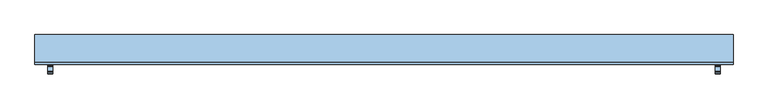
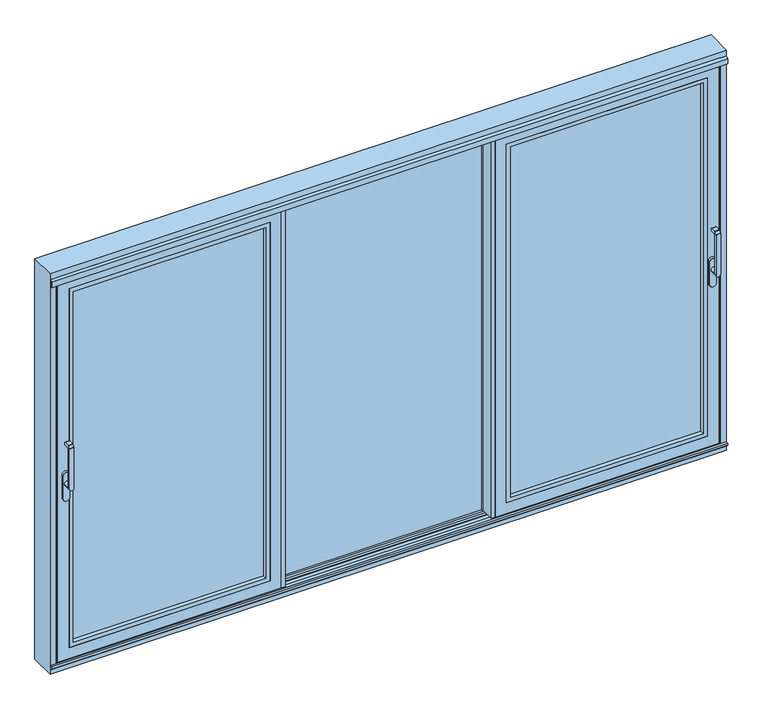
"""IFC4 building model written with IfcOpenShell, lengths in millimetres: window geometry."""

from ifc_helpers import new_model, si_unit, point, frame, frame_2d, origin, origin_with_axes, place, context, project, spatial, polyline, circle_curve, trimmed, segment, composite_curve, outline, extrude, faceted_brep, source, transform, mapped, element, save
from ifc_brep_helpers import plane_surface, cylinder_surface, revolved_surface, advanced_brep


def window_9dc28eff(model_context):
    return source(origin(), model_context, "Body", "SolidModel", [
        advanced_brep(
        [(1723.75, -121.9999695, 999.0), (1723.75, -121.9999695, 1224.2360009), (1699.75, -121.9999695, 1224.2360009), (1699.75, -121.9999695, 999.0), (1723.75, -73.9999695, 999.005052), (1699.75, -73.9999695, 999.005052), (1699.75, -109.9999695, 999.005052), (1723.75, -109.9999695, 999.005052), (1699.75, -121.414183, 1225.6502145), (1699.75, -110.6501229, 1236.4142746), (1699.75, -109.2359094, 1237.000061), (1699.75, -81.9999695, 1237.000061), (1699.75, -79.9999695, 1235.000061), (1699.75, -79.9999695, 1224.000061), (1699.75, -81.9999695, 1222.000061), (1699.75, -102.6493095, 1222.000061), (1699.75, -109.9999695, 1214.6494011), (1723.75, -109.9999695, 1214.6494011), (1723.75, -102.6493095, 1222.000061), (1723.75, -81.9999695, 1222.000061), (1723.75, -79.9999695, 1224.000061), (1723.75, -79.9999695, 1235.000061), (1723.75, -81.9999695, 1237.000061), (1723.75, -109.2359094, 1237.000061), (1723.75, -110.6501229, 1236.4142746), (1723.75, -121.414183, 1225.6502145)],
        [
            (0, 1),
            (1, 2),
            (2, 3),
            (3, 0, circle_curve(frame((1711.75, -121.9999695, 999.005052), z_axis=(0.0, -1.0, 0.0), x_axis=(-1.0000000000000009, 0.0, 0.0)), 12.0)),
            (4, 5, circle_curve(frame((1711.75, -73.9999695, 999.005052), z_axis=(0.0, 1.0, 0.0), x_axis=(-1.0000000000000009, 0.0, 0.0)), 12.0)),
            (5, 4, circle_curve(frame((1711.75, -73.9999695, 999.005052), z_axis=(0.0, 1.0, 0.0), x_axis=(-1.0000000000000009, 0.0, 0.0)), 12.0)),
            (3, 6),
            (6, 5),
            (4, 7),
            (7, 0),
            (6, 7, circle_curve(frame((1711.75, -109.9999695, 999.005052), z_axis=(0.0, 1.0, 0.0), x_axis=(-1.0000000000000009, 0.0, 0.0)), 12.0)),
            (2, 8, circle_curve(frame((1699.75, -119.9999695, 1224.2360009), z_axis=(-1.0, 0.0, 0.0), x_axis=(0.0, 0.0, -1.0)), 2.0)),
            (8, 9),
            (9, 10, circle_curve(frame((1699.75, -109.2359094, 1235.000061), z_axis=(-1.0, 0.0, 0.0), x_axis=(0.0, 0.0, -1.0)), 2.0)),
            (10, 11),
            (11, 12, circle_curve(frame((1699.75, -81.9999695, 1235.000061), z_axis=(-1.0, 0.0, 0.0), x_axis=(0.0, 0.0, -1.0)), 2.0)),
            (12, 13),
            (13, 14, circle_curve(frame((1699.75, -81.9999695, 1224.000061), z_axis=(-1.0, 0.0, 0.0), x_axis=(0.0, 0.0, -1.0)), 2.0)),
            (14, 15),
            (15, 16, circle_curve(frame((1699.75, -102.6493095, 1214.6494011), z_axis=(1.0, 0.0, 0.0), x_axis=(0.0, 0.0, -1.0)), 7.35066)),
            (16, 6),
            (7, 17),
            (17, 18, circle_curve(frame((1723.75, -102.6493095, 1214.6494011), z_axis=(-1.0, 0.0, 0.0), x_axis=(0.0, 0.0, -1.0)), 7.35066)),
            (18, 19),
            (19, 20, circle_curve(frame((1723.75, -81.9999695, 1224.000061), z_axis=(1.0, 0.0, 0.0), x_axis=(0.0, 0.0, -1.0)), 2.0)),
            (20, 21),
            (21, 22, circle_curve(frame((1723.75, -81.9999695, 1235.000061), z_axis=(1.0, 0.0, 0.0), x_axis=(0.0, 0.0, -1.0)), 2.0)),
            (22, 23),
            (23, 24, circle_curve(frame((1723.75, -109.2359094, 1235.000061), z_axis=(1.0, 0.0, 0.0), x_axis=(0.0, 0.0, -1.0)), 2.0)),
            (24, 25),
            (25, 1, circle_curve(frame((1723.75, -119.9999695, 1224.2360009), z_axis=(1.0, 0.0, 0.0), x_axis=(0.0, 0.0, -1.0)), 2.0)),
            (16, 17),
            (15, 18),
            (14, 19),
            (13, 20),
            (12, 21),
            (11, 22),
            (10, 23),
            (9, 24),
            (8, 25),
        ],
        [
            plane_surface(frame((1699.75, -121.9999695, 999.005052), z_axis=(0.0, -1.0, 0.0), x_axis=(0.0, 0.0, 1.0))),
            plane_surface(frame((1699.75, -73.9999695, 999.005052), z_axis=(0.0, 1.0, 0.0), x_axis=(0.0, 0.0, -1.0))),
            cylinder_surface(frame((1711.75, -73.9999695, 999.005052), z_axis=(0.0, -1.0000000000000009, 0.0), x_axis=(-1.0000000000000009, 0.0, 0.0)), 12.0),
            plane_surface(frame((1699.75, -121.9999695, 1004.7503433), z_axis=(-1.0, 0.0, 0.0), x_axis=(0.0, 0.0, -1.0))),
            plane_surface(frame((1723.75, -121.9999695, 1004.7503433), z_axis=(1.0, 0.0, 0.0), x_axis=(0.0, 0.0, 1.0))),
            plane_surface(frame((1699.75, -109.9999695, 999.0), z_axis=(0.0, 1.0, 0.0), x_axis=(1.0, 0.0, 0.0))),
            revolved_surface(polyline([(1723.75, -102.6493095, 1207.2987411), (1699.75, -102.6493095, 1207.2987411)]), (1723.75, -102.6493095, 1214.6494011), (1.0000000000000009, 0.0, 0.0)),
            plane_surface(frame((1699.75, -102.6493095, 1222.000061), z_axis=(0.0, 0.0, -1.0), x_axis=(1.0, 0.0, 0.0))),
            cylinder_surface(frame((1723.75, -81.9999695, 1224.000061), z_axis=(-1.0000000000000009, 0.0, 0.0), x_axis=(0.0, 0.0, -1.0)), 2.0),
            plane_surface(frame((1699.75, -79.9999695, 1224.000061), z_axis=(0.0, 1.0, 0.0), x_axis=(1.0, 0.0, 0.0))),
            cylinder_surface(frame((1723.75, -81.9999695, 1235.000061), z_axis=(-1.0000000000000009, 0.0, 0.0), x_axis=(0.0, 0.0, -1.0)), 2.0),
            plane_surface(frame((1699.75, -81.9999695, 1237.000061), z_axis=(0.0, 0.0, 1.0), x_axis=(1.0, 0.0, 0.0))),
            cylinder_surface(frame((1723.75, -109.2359094, 1235.000061), z_axis=(-1.0000000000000009, 0.0, 0.0), x_axis=(0.0, 0.0, -1.0)), 2.0),
            plane_surface(frame((1699.75, -110.6501229, 1236.4142746), z_axis=(0.0, -0.7071067811865419, 0.7071067811865531), x_axis=(1.0, 0.0, 0.0))),
            cylinder_surface(frame((1723.75, -119.9999695, 1224.2360009), z_axis=(-1.0000000000000009, 0.0, 0.0), x_axis=(0.0, 0.0, -1.0)), 2.0),
        ],
        [
            (0, [[1, 2, 3, 4]]),
            (1, [[5, 6]]),
            (2, [[7, 8, -5, 9, 10, -4]]),
            (2, [[-8, 11, -9, -6]]),
            (3, [[12, 13, 14, 15, 16, 17, 18, 19, 20, 21, -7, -3]]),
            (4, [[-1, -10, 22, 23, 24, 25, 26, 27, 28, 29, 30, 31]]),
            (5, [[32, -22, -11, -21]]),
            (6, [[33, -23, -32, -20]]),
            (7, [[34, -24, -33, -19]]),
            (8, [[35, -25, -34, -18]]),
            (9, [[36, -26, -35, -17]]),
            (10, [[37, -27, -36, -16]]),
            (11, [[38, -28, -37, -15]]),
            (12, [[39, -29, -38, -14]]),
            (13, [[40, -30, -39, -13]]),
            (14, [[-2, -31, -40, -12]]),
        ],
    ),
        extrude(outline(composite_curve([segment(polyline([(917.2823932, 1728.5), (1044.0099288, 1728.5)]), True, "CONTINUOUS"), segment(trimmed(circle_curve(frame_2d((1044.0099288, 1711.75)), 16.75), [point((1044.0099288, 1728.5))], [point((1044.0099288, 1695.0))], False, "CARTESIAN"), True, "CONTINUOUS"), segment(polyline([(1044.0099288, 1695.0), (917.2823932, 1695.0)]), True, "CONTINUOUS"), segment(trimmed(circle_curve(frame_2d((917.2823932, 1711.75)), 16.75), [point((917.2823932, 1695.0))], [point((917.2823932, 1728.5))], False, "CARTESIAN"), True, "CONTINUOUS")], self_intersect=False)), frame((0.0, -73.9999695, 0.0), z_axis=(0.0, 1.0, 0.0), x_axis=(0.0, 0.0, 1.0)), (0.0, 0.0, 1.0), 13.9999695),
        extrude(outline(polyline([(596.6682903, 15.9999745), (596.6682903, -2.55e-05), (549.4667622, -2.55e-05), (549.4667622, -54.5), (565.6666667, -54.5), (565.6666667, -60.0), (545.6666972, -60.0), (545.6666972, 15.9999745), (596.6682903, 15.9999745)])), frame((0.0, 0.0, 4.0), z_axis=(0.0, 0.0, 1.0), x_axis=(1.0, 0.0, 0.0)), (0.0, 0.0, 1.0), 2127.0),
        extrude(outline(polyline([(2071.0, 1690.0), (2071.0, 625.6666667), (64.0, 625.6666667), (64.0, 1690.0), (2071.0, 1690.0)]), holes=[polyline([(2048.987351, 647.6793157), (2048.987351, 1667.987351), (86.012649, 1667.987351), (86.012649, 647.6793157), (2048.987351, 647.6793157)])]), frame((0.0, -60.0, 0.0), z_axis=(0.0, 1.0, 0.0), x_axis=(0.0, 0.0, 1.0)), (0.0, 0.0, 1.0), 22.9999656),
        extrude(outline(polyline([(1690.0, -11.0000344), (1690.0, -37.0000344), (625.6666667, -37.0000344), (625.6666667, -11.0000344), (1690.0, -11.0000344)])), frame((0.0, 0.0, 64.0), z_axis=(0.0, 0.0, 1.0), x_axis=(1.0, 0.0, 0.0)), (0.0, 0.0, 1.0), 2007.0),
        faceted_brep([(647.6666667, -11.0000344, 2049.0), (647.6666667, -11.0000344, 86.0), (647.6666667, -2.55e-05, 86.0), (647.6666667, -2.55e-05, 2049.0), (565.6649483, -2.55e-05, 2131.0017184), (1750.0017184, -2.55e-05, 2131.0017184), (1750.0017184, -2.55e-05, 3.9982816), (565.6649483, -2.55e-05, 3.9982816), (1668.0, -2.55e-05, 2049.0), (1668.0, -2.55e-05, 86.0), (1668.0, -11.0000344, 86.0), (1690.0, -11.0000344, 2071.0), (625.6666667, -11.0000344, 2071.0), (625.6666667, -11.0000344, 64.0), (1690.0, -11.0000344, 64.0), (1668.0, -11.0000344, 2049.0), (625.6666667, -60.0, 2071.0), (625.6666667, -60.0, 64.0), (1690.0, -60.0, 64.0), (1750.0, -60.0, 2131.0), (565.6666667, -60.0, 2131.0), (565.6666667, -60.0, 4.0), (1750.0, -60.0, 4.0), (1690.0, -60.0, 2071.0), (565.6666667, -54.5, 2131.0), (565.6666667, -54.5, 4.0), (1750.0, -54.5, 4.0), (1750.0, -54.5, 2131.0), (1720.0, -54.5, 2101.0), (595.6666667, -54.5, 2101.0), (595.6666667, -54.5, 34.0), (1720.0, -54.5, 34.0), (595.6666667, -5.4999923, 2101.0), (595.6666667, -5.4999923, 34.0), (1720.0, -5.4999923, 34.0), (1750.0017184, -5.4999923, 2131.0017184), (565.6649483, -5.4999923, 2131.0017184), (565.6649483, -5.4999923, 3.9982816), (1750.0017184, -5.4999923, 3.9982816), (1720.0, -5.4999923, 2101.0)], [[[0, 1, 2, 3]], [[4, 5, 6, 7], [8, 3, 2, 9]], [[1, 10, 9, 2]], [[11, 12, 13, 14], [0, 15, 10, 1]], [[16, 17, 13, 12]], [[17, 18, 14, 13]], [[19, 20, 21, 22], [16, 23, 18, 17]], [[24, 25, 21, 20]], [[25, 26, 22, 21]], [[24, 27, 26, 25], [28, 29, 30, 31]], [[32, 33, 30, 29]], [[33, 34, 31, 30]], [[35, 36, 37, 38], [32, 39, 34, 33]], [[4, 7, 37, 36]], [[7, 6, 38, 37]], [[10, 15, 8, 9]], [[18, 23, 11, 14]], [[26, 27, 19, 22]], [[34, 39, 28, 31]], [[6, 5, 35, 38]], [[15, 0, 3, 8]], [[23, 16, 12, 11]], [[27, 24, 20, 19]], [[39, 32, 29, 28]], [[5, 4, 36, 35]]]),
        advanced_brep(
        [(-1723.75, -121.9999695, 999.005052), (-1699.75, -121.9999695, 999.005052), (-1699.75, -121.9999695, 1224.2360009), (-1723.75, -121.9999695, 1224.2360009), (-1723.75, -73.9999695, 999.005052), (-1699.75, -73.9999695, 999.005052), (-1723.75, -109.9999695, 999.005052), (-1699.75, -109.9999695, 999.005052), (-1699.75, -109.9999695, 1214.6494011), (-1699.75, -102.6493095, 1222.000061), (-1699.75, -81.9999695, 1222.000061), (-1699.75, -79.9999695, 1224.000061), (-1699.75, -79.9999695, 1235.000061), (-1699.75, -81.9999695, 1237.000061), (-1699.75, -109.2359094, 1237.000061), (-1699.75, -110.6501229, 1236.4142746), (-1699.75, -121.414183, 1225.6502145), (-1723.75, -121.414183, 1225.6502145), (-1723.75, -110.6501229, 1236.4142746), (-1723.75, -109.2359094, 1237.000061), (-1723.75, -81.9999695, 1237.000061), (-1723.75, -79.9999695, 1235.000061), (-1723.75, -79.9999695, 1224.000061), (-1723.75, -81.9999695, 1222.000061), (-1723.75, -102.6493095, 1222.000061), (-1723.75, -109.9999695, 1214.6494011)],
        [
            (0, 1, circle_curve(frame((-1711.75, -121.9999695, 999.005052), z_axis=(0.0, -1.0, 0.0), x_axis=(1.0000000000000009, 0.0, 0.0)), 12.0)),
            (1, 2),
            (2, 3),
            (3, 0),
            (4, 5, circle_curve(frame((-1711.75, -73.9999695, 999.005052), z_axis=(0.0, 1.0, 0.0), x_axis=(1.0000000000000009, 0.0, 0.0)), 12.0)),
            (5, 4, circle_curve(frame((-1711.75, -73.9999695, 999.005052), z_axis=(0.0, 1.0, 0.0), x_axis=(1.0000000000000009, 0.0, 0.0)), 12.0)),
            (0, 6),
            (6, 4),
            (5, 7),
            (7, 1),
            (6, 7, circle_curve(frame((-1711.75, -109.9999695, 999.005052), z_axis=(0.0, 1.0, 0.0), x_axis=(1.0000000000000009, 0.0, 0.0)), 12.0)),
            (7, 8),
            (8, 9, circle_curve(frame((-1699.75, -102.6493095, 1214.6494011), z_axis=(-1.0, 0.0, 0.0), x_axis=(0.0, 0.0, -1.0)), 7.35066)),
            (9, 10),
            (10, 11, circle_curve(frame((-1699.75, -81.9999695, 1224.000061), z_axis=(1.0, 0.0, 0.0), x_axis=(0.0, 0.0, -1.0)), 2.0)),
            (11, 12),
            (12, 13, circle_curve(frame((-1699.75, -81.9999695, 1235.000061), z_axis=(1.0, 0.0, 0.0), x_axis=(0.0, 0.0, -1.0)), 2.0)),
            (13, 14),
            (14, 15, circle_curve(frame((-1699.75, -109.2359094, 1235.000061), z_axis=(1.0, 0.0, 0.0), x_axis=(0.0, 0.0, -1.0)), 2.0)),
            (15, 16),
            (16, 2, circle_curve(frame((-1699.75, -119.9999695, 1224.2360009), z_axis=(1.0, 0.0, 0.0), x_axis=(0.0, 0.0, -1.0)), 2.0)),
            (3, 17, circle_curve(frame((-1723.75, -119.9999695, 1224.2360009), z_axis=(-1.0, 0.0, 0.0), x_axis=(0.0, 0.0, -1.0)), 2.0)),
            (17, 18),
            (18, 19, circle_curve(frame((-1723.75, -109.2359094, 1235.000061), z_axis=(-1.0, 0.0, 0.0), x_axis=(0.0, 0.0, -1.0)), 2.0)),
            (19, 20),
            (20, 21, circle_curve(frame((-1723.75, -81.9999695, 1235.000061), z_axis=(-1.0, 0.0, 0.0), x_axis=(0.0, 0.0, -1.0)), 2.0)),
            (21, 22),
            (22, 23, circle_curve(frame((-1723.75, -81.9999695, 1224.000061), z_axis=(-1.0, 0.0, 0.0), x_axis=(0.0, 0.0, -1.0)), 2.0)),
            (23, 24),
            (24, 25, circle_curve(frame((-1723.75, -102.6493095, 1214.6494011), z_axis=(1.0, 0.0, 0.0), x_axis=(0.0, 0.0, -1.0)), 7.35066)),
            (25, 6),
            (25, 8),
            (24, 9),
            (23, 10),
            (22, 11),
            (21, 12),
            (20, 13),
            (19, 14),
            (18, 15),
            (17, 16),
        ],
        [
            plane_surface(frame((-1699.75, -121.9999695, 999.005052), z_axis=(0.0, -1.0, 0.0), x_axis=(0.0, 0.0, 1.0))),
            plane_surface(frame((-1699.75, -73.9999695, 999.005052), z_axis=(0.0, 1.0, 0.0), x_axis=(0.0, 0.0, -1.0))),
            cylinder_surface(frame((-1711.75, -73.9999695, 999.005052), z_axis=(0.0, -1.0000000000000009, 0.0), x_axis=(1.0000000000000009, 0.0, 0.0)), 12.0),
            plane_surface(frame((-1699.75, -121.9999695, 1004.7503433), z_axis=(1.0, 0.0, 0.0), x_axis=(0.0, 0.0, -1.0))),
            plane_surface(frame((-1723.75, -121.9999695, 1004.7503433), z_axis=(-1.0, 0.0, 0.0), x_axis=(0.0, 0.0, 1.0))),
            plane_surface(frame((-1699.75, -109.9999695, 999.0), z_axis=(0.0, 1.0, 0.0), x_axis=(-1.0, 0.0, 0.0))),
            revolved_surface(polyline([(-1723.75, -102.6493095, 1207.2987411), (-1699.75, -102.6493095, 1207.2987411)]), (-1723.75, -102.6493095, 1214.6494011), (-1.0000000000000009, 0.0, 0.0)),
            plane_surface(frame((-1699.75, -102.6493095, 1222.000061), z_axis=(0.0, 0.0, -1.0), x_axis=(-1.0, 0.0, 0.0))),
            cylinder_surface(frame((-1723.75, -81.9999695, 1224.000061), z_axis=(1.0000000000000009, 0.0, 0.0), x_axis=(0.0, 0.0, -1.0)), 2.0),
            plane_surface(frame((-1699.75, -79.9999695, 1224.000061), z_axis=(0.0, 1.0, 0.0), x_axis=(-1.0, 0.0, 0.0))),
            cylinder_surface(frame((-1723.75, -81.9999695, 1235.000061), z_axis=(1.0000000000000009, 0.0, 0.0), x_axis=(0.0, 0.0, -1.0)), 2.0),
            plane_surface(frame((-1699.75, -81.9999695, 1237.000061), z_axis=(0.0, 0.0, 1.0), x_axis=(-1.0, 0.0, 0.0))),
            cylinder_surface(frame((-1723.75, -109.2359094, 1235.000061), z_axis=(1.0000000000000009, 0.0, 0.0), x_axis=(0.0, 0.0, -1.0)), 2.0),
            plane_surface(frame((-1699.75, -110.6501229, 1236.4142746), z_axis=(0.0, -0.7071067811865419, 0.7071067811865531), x_axis=(-1.0, 0.0, 0.0))),
            cylinder_surface(frame((-1723.75, -119.9999695, 1224.2360009), z_axis=(1.0000000000000009, 0.0, 0.0), x_axis=(0.0, 0.0, -1.0)), 2.0),
        ],
        [
            (0, [[1, 2, 3, 4]]),
            (1, [[5, 6]]),
            (2, [[-1, 7, 8, -6, 9, 10]]),
            (2, [[-5, -8, 11, -9]]),
            (3, [[-2, -10, 12, 13, 14, 15, 16, 17, 18, 19, 20, 21]]),
            (4, [[22, 23, 24, 25, 26, 27, 28, 29, 30, 31, -7, -4]]),
            (5, [[-12, -11, -31, 32]]),
            (6, [[-13, -32, -30, 33]]),
            (7, [[-14, -33, -29, 34]]),
            (8, [[-15, -34, -28, 35]]),
            (9, [[-16, -35, -27, 36]]),
            (10, [[-17, -36, -26, 37]]),
            (11, [[-18, -37, -25, 38]]),
            (12, [[-19, -38, -24, 39]]),
            (13, [[-20, -39, -23, 40]]),
            (14, [[-21, -40, -22, -3]]),
        ],
    ),
        extrude(outline(composite_curve([segment(trimmed(circle_curve(frame_2d((917.2823932, -1711.75)), 16.75), [point((917.2823932, -1728.5))], [point((917.2823932, -1695.0))], False, "CARTESIAN"), True, "CONTINUOUS"), segment(polyline([(917.2823932, -1695.0), (1044.0099288, -1695.0)]), True, "CONTINUOUS"), segment(trimmed(circle_curve(frame_2d((1044.0099288, -1711.75)), 16.75), [point((1044.0099288, -1695.0))], [point((1044.0099288, -1728.5))], False, "CARTESIAN"), True, "CONTINUOUS"), segment(polyline([(1044.0099288, -1728.5), (917.2823932, -1728.5)]), True, "CONTINUOUS")], self_intersect=False)), frame((0.0, -73.9999695, 0.0), z_axis=(0.0, 1.0, 0.0), x_axis=(0.0, 0.0, 1.0)), (0.0, 0.0, 1.0), 13.9999695),
        extrude(outline(polyline([(-596.6682903, 15.9999745), (-545.6666972, 15.9999745), (-545.6666972, -60.0), (-565.6666667, -60.0), (-565.6666667, -54.5), (-549.4667622, -54.5), (-549.4667622, -2.55e-05), (-596.6682903, -2.55e-05), (-596.6682903, 15.9999745)])), frame((0.0, 0.0, 4.0), z_axis=(0.0, 0.0, 1.0), x_axis=(1.0, 0.0, 0.0)), (0.0, 0.0, 1.0), 2127.0),
        extrude(outline(polyline([(2071.0, -1690.0), (64.0, -1690.0), (64.0, -625.6666667), (2071.0, -625.6666667), (2071.0, -1690.0)]), holes=[polyline([(2048.987351, -647.6793157), (86.012649, -647.6793157), (86.012649, -1667.987351), (2048.987351, -1667.987351), (2048.987351, -647.6793157)])]), frame((0.0, -60.0, 0.0), z_axis=(0.0, 1.0, 0.0), x_axis=(0.0, 0.0, 1.0)), (0.0, 0.0, 1.0), 22.9999656),
        extrude(outline(polyline([(-1690.0, -11.0000344), (-625.6666667, -11.0000344), (-625.6666667, -37.0000344), (-1690.0, -37.0000344), (-1690.0, -11.0000344)])), frame((0.0, 0.0, 64.0), z_axis=(0.0, 0.0, 1.0), x_axis=(1.0, 0.0, 0.0)), (0.0, 0.0, 1.0), 2007.0),
        faceted_brep([(-647.6666667, -11.0000344, 2049.0), (-647.6666667, -2.55e-05, 2049.0), (-647.6666667, -2.55e-05, 86.0), (-647.6666667, -11.0000344, 86.0), (-565.6649483, -2.55e-05, 2131.0017184), (-565.6649483, -2.55e-05, 3.9982816), (-1750.0017184, -2.55e-05, 3.9982816), (-1750.0017184, -2.55e-05, 2131.0017184), (-1668.0, -2.55e-05, 2049.0), (-1668.0, -2.55e-05, 86.0), (-1668.0, -11.0000344, 86.0), (-1690.0, -11.0000344, 2071.0), (-1690.0, -11.0000344, 64.0), (-625.6666667, -11.0000344, 64.0), (-625.6666667, -11.0000344, 2071.0), (-1668.0, -11.0000344, 2049.0), (-625.6666667, -60.0, 2071.0), (-625.6666667, -60.0, 64.0), (-1690.0, -60.0, 64.0), (-1750.0, -60.0, 2131.0), (-1750.0, -60.0, 4.0), (-565.6666667, -60.0, 4.0), (-565.6666667, -60.0, 2131.0), (-1690.0, -60.0, 2071.0), (-565.6666667, -54.5, 2131.0), (-565.6666667, -54.5, 4.0), (-1750.0, -54.5, 4.0), (-1750.0, -54.5, 2131.0), (-1720.0, -54.5, 2101.0), (-1720.0, -54.5, 34.0), (-595.6666667, -54.5, 34.0), (-595.6666667, -54.5, 2101.0), (-595.6666667, -5.4999923, 2101.0), (-595.6666667, -5.4999923, 34.0), (-1720.0, -5.4999923, 34.0), (-1750.0017184, -5.4999923, 2131.0017184), (-1750.0017184, -5.4999923, 3.9982816), (-565.6649483, -5.4999923, 3.9982816), (-565.6649483, -5.4999923, 2131.0017184), (-1720.0, -5.4999923, 2101.0)], [[[0, 1, 2, 3]], [[4, 5, 6, 7], [8, 9, 2, 1]], [[3, 2, 9, 10]], [[11, 12, 13, 14], [0, 3, 10, 15]], [[16, 14, 13, 17]], [[17, 13, 12, 18]], [[19, 20, 21, 22], [16, 17, 18, 23]], [[24, 22, 21, 25]], [[25, 21, 20, 26]], [[24, 25, 26, 27], [28, 29, 30, 31]], [[32, 31, 30, 33]], [[33, 30, 29, 34]], [[35, 36, 37, 38], [32, 33, 34, 39]], [[4, 38, 37, 5]], [[5, 37, 36, 6]], [[10, 9, 8, 15]], [[18, 12, 11, 23]], [[26, 20, 19, 27]], [[34, 29, 28, 39]], [[6, 36, 35, 7]], [[15, 8, 1, 0]], [[23, 11, 14, 16]], [[27, 19, 22, 24]], [[39, 28, 31, 32]], [[7, 35, 38, 4]]]),
        extrude(outline(polyline([(569.6666361, 30.9998071), (-569.6666361, 30.9998071), (-569.6666361, 56.9998071), (569.6666361, 56.9998071), (569.6666361, 30.9998071)])), frame((0.0, 0.0, -25.0), z_axis=(0.0, 0.0, 1.0), x_axis=(1.0, 0.0, 0.0)), (0.0, 0.0, 1.0), 2189.0),
        extrude(outline(polyline([(2164.0, -569.6666361), (-25.0, -569.6666361), (-25.0, 569.6666361), (2164.0, 569.6666361), (2164.0, -569.6666361)]), holes=[polyline([(2141.9998171, 547.6664532), (-2.9998171, 547.6664532), (-2.9998171, -547.6664532), (2141.9998171, -547.6664532), (2141.9998171, 547.6664532)])]), frame((0.0, 56.9998071, 0.0), z_axis=(0.0, 1.0, 0.0), x_axis=(0.0, 0.0, 1.0)), (0.0, 0.0, 1.0), 23.0001929),
        extrude(outline(polyline([(-1739.0, 5.0001885), (-1758.0007202, 5.0001885), (-1758.0007202, 9.0001885), (-1742.0, 9.0001885), (-1742.0, 36.4449661), (-1753.7767036, 61.7001885), (-1764.0, 61.7001885), (-1764.0, 79.9999826), (-1758.999904, 79.9999826), (-1739.0, 37.1100501), (-1739.0, 5.0001885)])), origin_with_axes(), (0.0, 0.0, 1.0), 2120.9),
        extrude(outline(polyline([(1739.0, 5.0001885), (1739.0, 37.1100501), (1758.999904, 79.9999826), (1764.0, 79.9999826), (1764.0, 61.7001885), (1753.7767036, 61.7001885), (1742.0, 36.4449661), (1742.0, 9.0001885), (1758.0007202, 9.0001885), (1758.0007202, 5.0001885), (1739.0, 5.0001885)])), origin_with_axes(), (0.0, 0.0, 1.0), 2120.9),
        faceted_brep([(-1790.0, 80.0, -51.0), (1790.0, 80.0, -51.0), (1790.0, -60.0, -51.0), (-1790.0, -60.0, -51.0), (-1790.0, -60.0, 2190.0), (-1790.0, 80.0, 2190.0), (1758.0007202, 20.0, -25.0), (1758.0007202, -8.7999745, -25.0), (1758.0007202, -8.7999745, 2155.2007202), (1758.0007202, 20.0, 2155.2007202), (-1742.0, 30.9998071, 2142.0), (-1742.0, 30.9998071, -3.0), (-647.6666667, 30.9998071, -3.0), (-647.6666667, 30.9998071, -25.0), (-1764.0, 30.9998071, -25.0), (-1764.0, 30.9998071, 2164.0), (-647.6666667, 30.9998071, 2164.0), (-647.6666667, 30.9998071, 2142.0), (-569.6666361, 30.9998071, -25.0), (-569.6666361, 30.9998071, 2164.0), (569.6666361, 30.9998071, 2164.0), (569.6666361, 30.9998071, -25.0), (-545.6666667, 30.9998071, 2142.0), (-545.6666667, 30.9998071, -3.0), (545.6666667, 30.9998071, -3.0), (545.6666667, 30.9998071, 2142.0), (1742.0, 30.9998071, -3.0), (1742.0, 30.9998071, 2142.0), (647.6666667, 30.9998071, 2142.0), (647.6666667, 30.9998071, 2164.0), (1764.0, 30.9998071, 2164.0), (1764.0, 30.9998071, -25.0), (647.6666667, 30.9998071, -25.0), (647.6666667, 30.9998071, -3.0), (1742.0, 20.0, -3.0), (1742.0, 20.0, 2142.0), (647.6666667, 20.0, -3.0), (647.6666667, 20.0, -25.0), (647.6666667, 20.0, 2155.2007202), (647.6666667, 20.0, 2142.0), (-596.6666667, 20.0, 2155.2007202), (-596.6666667, 20.0, -25.0), (596.6666667, 20.0, -25.0), (596.6666667, 20.0, 2155.2007202), (-545.6666667, 20.0, -3.0), (-545.6666667, 20.0, 2142.0), (545.6666667, 20.0, 2142.0), (545.6666667, 20.0, -3.0), (-1742.0, 20.0, -3.0), (-1742.0, 20.0, 2142.0), (-647.6666667, 20.0, 2142.0), (-647.6666667, 20.0, 2155.2007202), (-1758.0007202, 20.0, 2155.2007202), (-1758.0007202, 20.0, -25.0), (-647.6666667, 20.0, -25.0), (-647.6666667, 20.0, -3.0), (1790.0, -60.0, 2190.0), (1790.0, 80.0, 2190.0), (-1764.0, 80.0, 2164.0), (-1764.0, 80.0, -25.0), (-647.6666667, 80.0, -25.0), (-647.6666667, 80.0, 2164.0), (-569.6666361, 80.0, -25.0), (569.6666361, 80.0, -25.0), (569.6666361, 80.0, 2164.0), (-569.6666361, 80.0, 2164.0), (1764.0, 80.0, -25.0), (1764.0, 80.0, 2164.0), (647.6666667, 80.0, 2164.0), (647.6666667, 80.0, -25.0), (1758.0, -60.0, -19.0), (-1758.0, -60.0, -19.0), (-1758.0, -60.0, 2157.5), (1758.0, -60.0, 2157.5), (1758.0, -51.2, -19.0), (1758.0, -51.2, 2157.5), (-1758.0, -51.2, -19.0), (-1758.0, -51.2, 2157.5), (1750.0, -51.2, -11.0), (-1750.0, -51.2, -11.0), (-1750.0, -51.2, 2150.0), (1750.0, -51.2, 2150.0), (1742.0, -48.2882381, -3.0), (1742.0, -48.2882381, 2142.0), (1742.0, -48.2882381, 2130.9117619), (1746.7030271, -50.0, 2129.2), (1746.7030271, -50.0, 2122.0), (1742.0, -48.2882381, 2122.0), (-1742.0, -48.2882381, -3.0), (1742.0, -11.7119985, -3.0), (-1742.0, -11.7120237, -3.0), (-1742.0, -48.2882381, 2122.0), (-1746.7030271, -50.0, 2122.0), (-1746.7030271, -50.0, 2129.2), (-1742.0, -48.2882381, 2130.9117619), (-1742.0, -48.2882381, 2142.0), (1742.0, -44.2, 2142.0), (1742.0, -44.2, 2135.0), (1742.0, -11.7119985, 2122.0), (1742.0, -11.7119985, 2155.2007202), (1742.0, -11.7119985, 2130.9119985), (1742.0, -15.8, 2135.0), (1742.0, -15.8, 2155.2007202), (1750.0007202, -8.7999745, -11.0007902), (-1750.0007202, -8.7999745, -11.0007902), (-1742.0, -11.7119993, 2122.0), (-1742.0, -44.2, 2135.0), (-1742.0, -44.2, 2142.0), (-1742.0, -11.7119992, 2130.9119986), (-1742.0, -11.7119989, 2155.2007202), (-1742.0, -15.8, 2155.2007202), (-1742.0, -15.8, 2135.0), (1746.7036773, -10.0, 2122.0), (1746.7036773, -10.0, 2129.2), (1750.0007202, -8.7999745, 2155.2007202), (-1758.0007202, -8.7999745, -25.0), (-1758.0007202, -8.7999745, 2155.2007202), (-1750.0007202, -8.7999745, 2155.2007202), (-1746.7036773, -10.0, 2129.2), (-1746.7036773, -10.0, 2122.0), (647.6666667, 4.0, -25.0), (596.6666667, 4.0, -25.0), (-596.6666667, 4.0, -25.0), (-647.6666667, 4.0, -25.0), (-647.6666667, 4.0, 2155.2007202), (-596.6666667, 4.0, 2155.2007202), (596.6666667, 4.0, 2155.2007202), (647.6666667, 4.0, 2155.2007202)], [[[0, 1, 2, 3]], [[0, 3, 4, 5]], [[6, 7, 8, 9]], [[10, 11, 12, 13, 14, 15, 16, 17]], [[18, 19, 20, 21], [22, 23, 24, 25]], [[26, 27, 28, 29, 30, 31, 32, 33]], [[26, 34, 35, 27]], [[35, 34, 36, 37, 6, 9, 38, 39]], [[40, 41, 42, 43], [44, 45, 46, 47]], [[48, 49, 50, 51, 52, 53, 54, 55]], [[56, 57, 5, 4]], [[57, 1, 0, 5], [58, 59, 60, 61], [62, 63, 64, 65], [66, 67, 68, 69]], [[57, 56, 2, 1]], [[3, 2, 56, 4], [70, 71, 72, 73]], [[74, 70, 73, 75]], [[70, 74, 76, 71]], [[76, 74, 75, 77], [78, 79, 80, 81]], [[71, 76, 77, 72]], [[82, 78, 81, 83, 84, 85, 86, 87]], [[78, 82, 88, 79]], [[82, 89, 90, 88]], [[79, 88, 91, 92, 93, 94, 95, 80]], [[84, 83, 96, 97]], [[89, 82, 87, 98]], [[99, 100, 101, 102]], [[89, 103, 104, 90]], [[88, 90, 105, 91]], [[95, 94, 106, 107]], [[108, 109, 110, 111]], [[103, 89, 98, 112, 113, 100, 99, 114]], [[104, 103, 114, 8, 7, 115, 116, 117]], [[90, 104, 117, 109, 108, 118, 119, 105]], [[7, 6, 37, 120, 121, 42, 41, 122, 123, 54, 53, 115]], [[115, 53, 52, 116]], [[34, 26, 33, 36]], [[11, 48, 55, 12]], [[23, 44, 47, 24]], [[48, 11, 10, 49]], [[59, 14, 13, 60]], [[62, 18, 21, 63]], [[31, 66, 69, 32]], [[14, 59, 58, 15]], [[66, 31, 30, 67]], [[20, 19, 65, 64]], [[15, 58, 61, 16]], [[67, 30, 29, 68]], [[27, 35, 39, 28]], [[49, 10, 17, 50]], [[45, 22, 25, 46]], [[102, 110, 109, 117, 116, 52, 51, 124, 125, 40, 43, 126, 127, 38, 9, 8, 114, 99]], [[119, 112, 98, 87, 86, 92, 91, 105]], [[118, 113, 112, 119]], [[111, 101, 100, 113, 118, 108]], [[110, 102, 101, 111]], [[83, 95, 107, 96]], [[106, 97, 96, 107]], [[93, 85, 84, 97, 106, 94]], [[81, 80, 95, 83]], [[92, 86, 85, 93]], [[73, 72, 77, 75]], [[69, 68, 29, 28, 39, 38, 127, 120, 37, 36, 33, 32]], [[126, 121, 120, 127]], [[43, 42, 121, 126]], [[125, 122, 41, 40]], [[124, 123, 122, 125]], [[61, 60, 13, 12, 55, 54, 123, 124, 51, 50, 17, 16]], [[45, 44, 23, 22]], [[47, 46, 25, 24]], [[62, 65, 19, 18]], [[64, 63, 21, 20]]]),
        extrude(outline(polyline([(-73.0, -2.0), (-60.0, -2.0), (-60.0, -21.8), (-66.4, -21.8), (-73.0, -15.2), (-73.0, -2.0)])), frame((-1790.0, 0.0, 0.0), z_axis=(1.0, 0.0, 0.0), x_axis=(0.0, 1.0, 0.0)), (0.0, 0.0, 1.0), 3580.0),
        extrude(outline(polyline([(-51.2000255, 2150.5), (-68.5243789, 2150.5), (-71.0000233, 2149.0706861), (-71.0000233, 2121.5), (-72.6000233, 2121.5), (-72.6000233, 2150.225198), (-59.9996967, 2157.5), (-51.2000255, 2157.5), (-51.2000255, 2150.5)])), frame((-1790.0, 0.0, 0.0), z_axis=(1.0, 0.0, 0.0), x_axis=(0.0, 1.0, 0.0)), (0.0, 0.0, 1.0), 3580.0),
        extrude(outline(polyline([(4.0, 0.0), (80.0, 0.0), (80.0, -25.0), (60.5987802, -25.0), (60.5987802, -3.0), (12.8, -3.0), (12.8, -11.0), (4.0, -11.0), (4.0, 0.0)])), frame((647.6666667, 0.0, 0.0), z_axis=(1.0, 0.0, 0.0), x_axis=(0.0, 1.0, 0.0)), (0.0, 0.0, 1.0), 1116.3333333),
        extrude(outline(polyline([(-60.0, 0.0), (-41.9001183, 0.0), (-41.9001183, -3.0), (-48.2882381, -3.0), (-51.2, -11.0), (-51.2, -19.0), (-60.0, -19.0), (-60.0, 0.0)])), frame((-1739.0, 0.0, 0.0), z_axis=(1.0, 0.0, 0.0), x_axis=(0.0, 1.0, 0.0)), (0.0, 0.0, 1.0), 3478.0),
        extrude(outline(polyline([(-18.1001183, 0.0), (-2.55e-05, 0.0), (-2.55e-05, -25.0), (-8.7999745, -25.0), (-8.7999745, -11.0007902), (-11.712024, -3.0), (-18.1001183, -3.0), (-18.1001183, 0.0)])), frame((-1739.0, 0.0, 0.0), z_axis=(1.0, 0.0, 0.0), x_axis=(0.0, 1.0, 0.0)), (0.0, 0.0, 1.0), 3478.0),
        extrude(outline(polyline([(4.0, 0.0), (80.0, 0.0), (80.0, -25.0), (60.5987802, -25.0), (60.5987802, -3.0), (12.8, -3.0), (12.8, -11.0), (4.0, -11.0), (4.0, 0.0)])), frame((-1764.0, 0.0, 0.0), z_axis=(1.0, 0.0, 0.0), x_axis=(0.0, 1.0, 0.0)), (0.0, 0.0, 1.0), 1116.3333333),
        extrude(outline(polyline([(80.0, 2120.9), (4.0, 2120.9), (4.0, 2131.0), (20.0, 2131.0), (20.0, 2142.0), (30.9998071, 2142.0), (30.9998071, 2131.0), (60.6, 2131.0), (60.6, 2164.0), (80.0, 2164.0), (80.0, 2120.9)])), frame((-1764.0, 0.0, 0.0), z_axis=(1.0, 0.0, 0.0), x_axis=(0.0, 1.0, 0.0)), (0.0, 0.0, 1.0), 1116.3333333),
        extrude(outline(polyline([(80.0, 2120.9), (4.0, 2120.9), (4.0, 2131.0), (20.0, 2131.0), (20.0, 2142.0), (30.9998071, 2142.0), (30.9998071, 2131.0), (60.6, 2131.0), (60.6, 2164.0), (80.0, 2164.0), (80.0, 2120.9)])), frame((647.6666667, 0.0, 0.0), z_axis=(1.0, 0.0, 0.0), x_axis=(0.0, 1.0, 0.0)), (0.0, 0.0, 1.0), 1116.3333333),
    ])


if __name__ == "__main__":
    model = new_model("IFC4")
    model_context = context("Model", 3, world=origin())
    ifc_project = project(units=[si_unit("LENGTHUNIT", "METRE", prefix="MILLI")], contexts=[model_context])
    site = spatial("IfcSite", under=ifc_project)
    building = spatial("IfcBuilding", under=site)
    placement = place(None, origin())
    window_shape = window_9dc28eff(model_context)
    element("IfcWindow", 1, at=placement, inside=building, context=model_context, shape_type="MappedRepresentation", body=[
        mapped(window_shape, transform((0.0, 0.0, 0.0), x_axis=(1.0, 0.0, 0.0), y_axis=(0.0, 1.0, 0.0), z_axis=(0.0, 0.0, 1.0))),
    ])
    save(model, "model.ifc")
